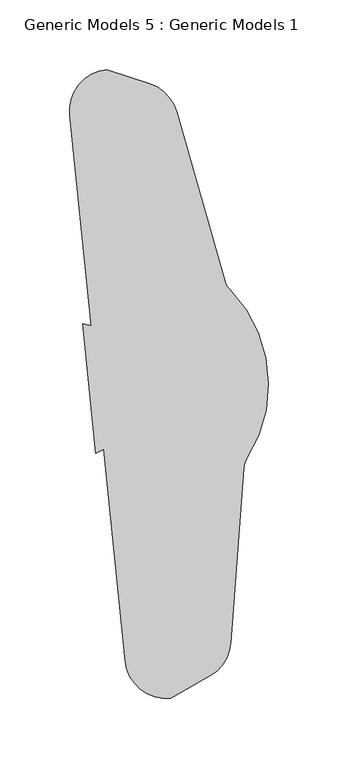
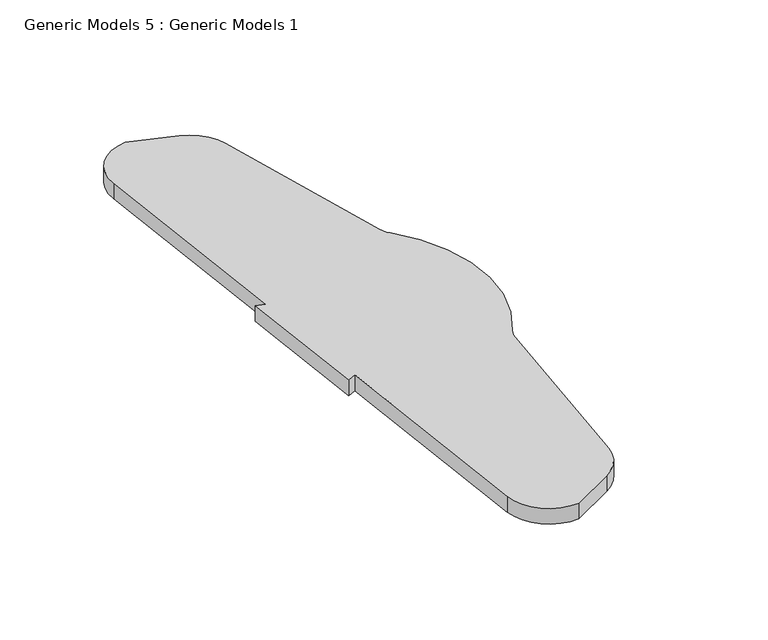
"""IFC4 building model written with IfcOpenShell, lengths in millimetres: proxy geometry, Generic Models 5 : Generic Models 1."""

from ifc_helpers import new_model, si_unit, point, frame, frame_2d, origin, place, context, project, spatial, polyline, circle_curve, trimmed, segment, composite_curve, outline, extrude, source, transform, mapped, element, save


def generic_models_5_generic_models_1_71c9cd8c(model_context):
    return source(origin(), model_context, "Body", "SweptSolid", [
        extrude(outline(composite_curve([segment(polyline([(51393.2288554, -19820.2207619), (51427.5469506, -19941.271137)]), True, "CONTINUOUS"), segment(trimmed(circle_curve(frame_2d((51441.9782107, -19937.1798373)), 15.0), [point((51427.5469506, -19941.271137))], [point((51431.2189003, -19947.6314993))], True, "CARTESIAN"), True, "CONTINUOUS"), segment(trimmed(circle_curve(frame_2d((51360.5909178, -20016.2399671)), 98.4653938), [point((51431.2189003, -19947.6314993))], [point((51443.5935146, -20069.2116831))], False, "CARTESIAN"), True, "CONTINUOUS"), segment(trimmed(circle_curve(frame_2d((51456.2379463, -20077.281277)), 15.0), [point((51443.5935146, -20069.2116831))], [point((51441.2783231, -20076.1814257))], True, "CARTESIAN"), True, "CONTINUOUS"), segment(polyline([(51441.2783231, -20076.1814257), (51432.0526971, -20201.6637463)]), True, "CONTINUOUS"), segment(trimmed(circle_curve(frame_2d((51402.1334507, -20199.4640438)), 30.0), [point((51432.0526971, -20201.6637463))], [point((51417.0758871, -20225.4779553))], False, "CARTESIAN"), True, "CONTINUOUS"), segment(polyline([(51417.0758871, -20225.4779553), (51389.0173243, -20241.5948431)]), True, "CONTINUOUS"), segment(trimmed(circle_curve(frame_2d((51385.9795733, -20211.7490382)), 30.0), [point((51389.0173243, -20241.5948431))], [point((51356.1337684, -20214.7867892))], False, "CARTESIAN"), True, "CONTINUOUS"), segment(polyline([(51356.1337684, -20214.7867892), (51340.6512461, -20062.6715097), (51335.1705473, -20065.3898372), (51325.7056976, -19972.3979963), (51331.6216836, -19973.9563521), (51316.2227833, -19822.6626561)]), True, "CONTINUOUS"), segment(trimmed(circle_curve(frame_2d((51346.0685882, -19819.6249051)), 30.0), [point((51316.2227833, -19822.6626561))], [point((51343.0308372, -19789.7791002))], False, "CARTESIAN"), True, "CONTINUOUS"), segment(polyline([(51343.0308372, -19789.7791002), (51373.76118, -19799.9123645)]), True, "CONTINUOUS"), segment(trimmed(circle_curve(frame_2d((51364.3663352, -19828.4033612)), 30.0), [point((51373.76118, -19799.9123645))], [point((51393.2288554, -19820.2207619))], False, "CARTESIAN"), True, "CONTINUOUS")], self_intersect=False)), frame((0.0, 0.0, 800.1), z_axis=(0.0, 0.0, 1.0), x_axis=(1.0, 0.0, 0.0)), (0.0, 0.0, 1.0), 11.1715949),
    ])


if __name__ == "__main__":
    model = new_model("IFC4")
    model_context = context("Model", 3, world=origin())
    ifc_project = project(units=[si_unit("LENGTHUNIT", "METRE", prefix="MILLI")], contexts=[model_context])
    site = spatial("IfcSite", under=ifc_project)
    building = spatial("IfcBuilding", under=site)
    placement = place(None, origin())
    generic_models_5_generic_models_1_shape = generic_models_5_generic_models_1_71c9cd8c(model_context)
    element("IfcBuildingElementProxy", 1, Name="Generic Models 5 : Generic Models 1", ObjectType="Generic Models 5 : Generic Models 1", at=placement, inside=building, context=model_context, shape_type="MappedRepresentation", body=[
        mapped(generic_models_5_generic_models_1_shape, transform((0.0, 0.0, 0.0), x_axis=(1.0, 0.0, 0.0), y_axis=(0.0, 1.0, 0.0), z_axis=(0.0, 0.0, 1.0))),
    ])
    save(model, "model.ifc")
